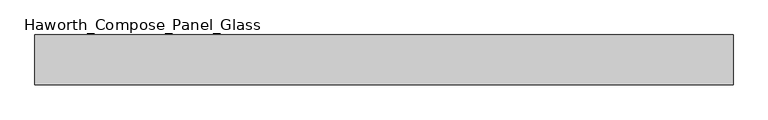
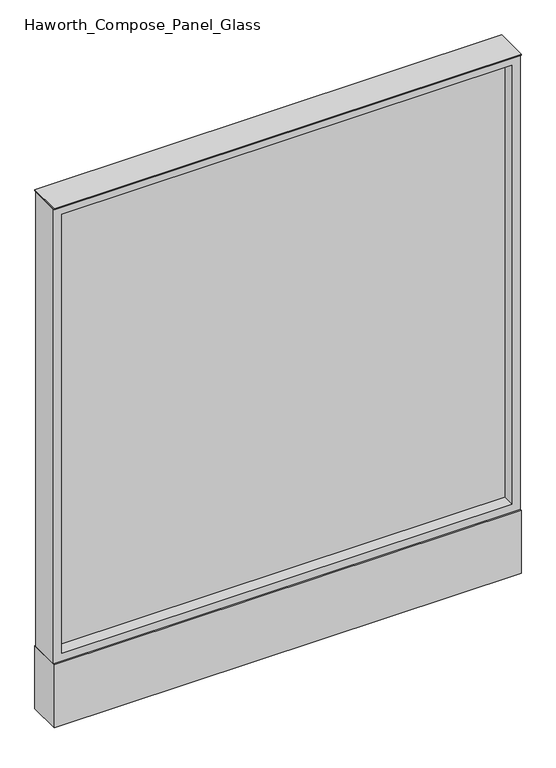
"""IFC4 building model written with IfcOpenShell, lengths in millimetres: furniture geometry, Haworth_Compose_Panel_Glass."""

from ifc_helpers import new_model, si_unit, point, frame, frame_2d, origin, origin_with_axes, place, context, project, spatial, polyline, circle_curve, trimmed, segment, composite_curve, outline, extrude, source, transform, mapped, element, save


def haworth_compose_panel_glass_53d0566a(model_context):
    return source(origin(), model_context, "Body", "SweptSolid", [
        extrude(outline(composite_curve([segment(trimmed(circle_curve(frame_2d((459.6402902, 0.0)), 12.7), [point((446.9402902, 0.0))], [point((472.3402902, 0.0))], False, "CARTESIAN"), True, "CONTINUOUS"), segment(trimmed(circle_curve(frame_2d((459.6402902, 0.0)), 12.7), [point((472.3402902, 0.0))], [point((446.9402902, 0.0))], False, "CARTESIAN"), True, "CONTINUOUS")], self_intersect=False)), origin_with_axes(), (0.0, 0.0, 1.0), 12.7),
        extrude(outline(composite_curve([segment(trimmed(circle_curve(frame_2d((-454.7597098, 0.0)), 12.7), [point((-467.4597098, 0.0))], [point((-442.0597098, 0.0))], False, "CARTESIAN"), True, "CONTINUOUS"), segment(trimmed(circle_curve(frame_2d((-454.7597098, 0.0)), 12.7), [point((-442.0597098, 0.0))], [point((-467.4597098, 0.0))], False, "CARTESIAN"), True, "CONTINUOUS")], self_intersect=False)), origin_with_axes(), (0.0, 0.0, 1.0), 12.7),
        extrude(outline(polyline([(516.7902902, -6.35), (-511.9097098, -6.35), (-511.9097098, 6.35), (516.7902902, 6.35), (516.7902902, -6.35)])), frame((0.0, 0.0, 184.15), z_axis=(0.0, 0.0, 1.0), x_axis=(1.0, 0.0, 0.0)), (0.0, 0.0, 1.0), 1060.45),
        extrude(outline(polyline([(1263.65, -530.9597098), (165.1, -530.9597098), (165.1, 535.8402902), (1263.65, 535.8402902), (1263.65, -530.9597098)]), holes=[polyline([(1244.6, 516.7902902), (184.15, 516.7902902), (184.15, -511.9097098), (1244.6, -511.9097098), (1244.6, 516.7902902)])]), frame((0.0, -34.925, 0.0), z_axis=(0.0, 1.0, 0.0), x_axis=(0.0, 0.0, 1.0)), (0.0, 0.0, 1.0), 69.85),
        extrude(outline(polyline([(-530.9597098, 38.1), (535.8402902, 38.1), (535.8402902, -38.1), (-530.9597098, -38.1), (-530.9597098, 38.1)])), frame((0.0, 0.0, 12.7), z_axis=(0.0, 0.0, 1.0), x_axis=(1.0, 0.0, 0.0)), (0.0, 0.0, 1.0), 152.4),
        extrude(outline(polyline([(-530.9597098, -38.1), (-530.9597098, 38.1), (535.8402902, 38.1), (535.8402902, -38.1), (-530.9597098, -38.1)])), frame((0.0, 0.0, 1263.65), z_axis=(0.0, 0.0, 1.0), x_axis=(1.0, 0.0, 0.0)), (0.0, 0.0, 1.0), 3.175),
    ])


if __name__ == "__main__":
    model = new_model("IFC4")
    model_context = context("Model", 3, world=origin())
    ifc_project = project(units=[si_unit("LENGTHUNIT", "METRE", prefix="MILLI")], contexts=[model_context])
    site = spatial("IfcSite", under=ifc_project)
    building = spatial("IfcBuilding", under=site)
    placement = place(None, origin())
    haworth_compose_panel_glass_shape = haworth_compose_panel_glass_53d0566a(model_context)
    element("IfcFurniture", 1, ObjectType="Haworth_Compose_Panel_Glass", at=placement, inside=building, context=model_context, shape_type="MappedRepresentation", body=[
        mapped(haworth_compose_panel_glass_shape, transform((0.0, 0.0, 0.0), x_axis=(1.0, 0.0, 0.0), y_axis=(0.0, 1.0, 0.0), z_axis=(0.0, 0.0, 1.0))),
    ])
    save(model, "model.ifc")
